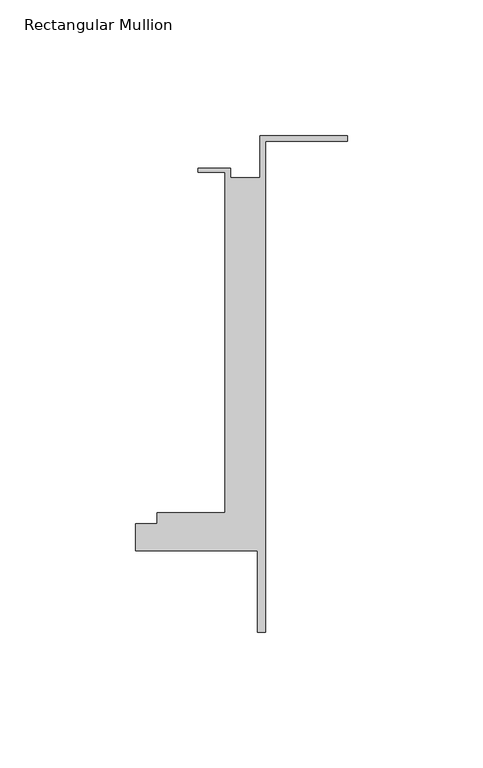
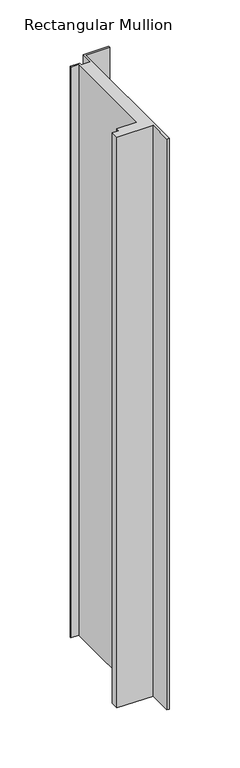
"""IFC4 building model written with IfcOpenShell, lengths in millimetres: member geometry, Rectangular Mullion."""

from ifc_helpers import new_model, si_unit, frame, origin, place, context, project, spatial, polyline, outline, extrude, source, transform, mapped, element, save


def rectangular_mullion_f66be54f(model_context):
    return source(origin(), model_context, "Body", "SweptSolid", [
        extrude(outline(polyline([(-32.1465839, 41.25), (0.0, 41.25), (0.0, 39.25), (-30.1465839, 39.25), (-30.1465839, -141.75), (-33.1466122, -141.75), (-33.1466122, -111.75), (-78.1466122, -111.75), (-78.1466122, -101.75), (-70.1466122, -101.75), (-70.1466122, -97.75), (-45.1465839, -97.75), (-45.1465839, 27.75), (-55.1465839, 27.75), (-55.1465839, 29.25), (-43.1465839, 29.25), (-43.1465839, 25.75), (-32.1465839, 25.75), (-32.1465839, 41.25)])), frame((0.0, 0.0, -753.513874), z_axis=(0.0, 0.0, 1.0), x_axis=(1.0, 0.0, 0.0)), (0.0, 0.0, 1.0), 753.513874),
    ])


if __name__ == "__main__":
    model = new_model("IFC4")
    model_context = context("Model", 3, world=origin())
    ifc_project = project(units=[si_unit("LENGTHUNIT", "METRE", prefix="MILLI")], contexts=[model_context])
    site = spatial("IfcSite", under=ifc_project)
    building = spatial("IfcBuilding", under=site)
    placement = place(None, origin())
    rectangular_mullion_shape = rectangular_mullion_f66be54f(model_context)
    element("IfcMember", 1, ObjectType="Rectangular Mullion", at=placement, inside=building, context=model_context, shape_type="MappedRepresentation", body=[
        mapped(rectangular_mullion_shape, transform((0.0, 0.0, 0.0), x_axis=(1.0, 0.0, 0.0), y_axis=(0.0, 1.0, 0.0), z_axis=(0.0, 0.0, 1.0))),
    ])
    save(model, "model.ifc")
